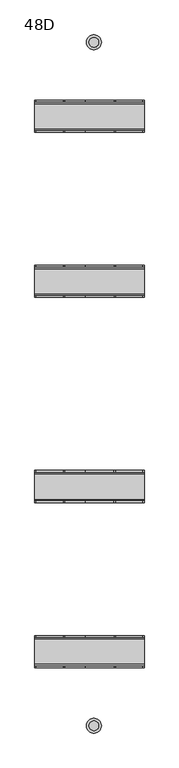
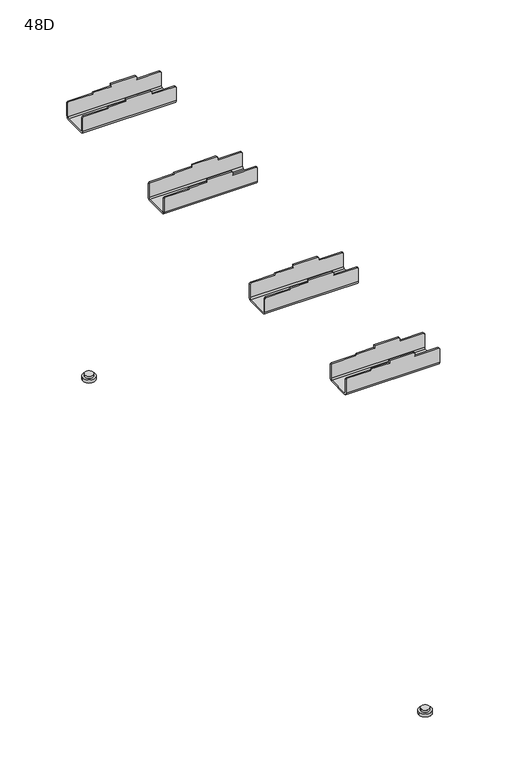
"""IFC4 building model written with IfcOpenShell, lengths in millimetres: furniture geometry, 48D."""

from ifc_helpers import new_model, si_unit, point, frame, frame_2d, origin, origin_with_axes, place, context, project, spatial, polyline, circle_curve, trimmed, segment, composite_curve, outline, extrude, source, transform, mapped, element, save
from ifc_brep_helpers import plane_surface, cylinder_surface, revolved_surface, advanced_brep


def furniture_48d_6f4fb4dd(model_context):
    return source(origin(), model_context, "Body", "SolidModel", [
        advanced_brep(
        [(76.0, -431.9918, 652.15), (76.0, -434.9918, 649.15), (76.0, -478.0279055, 649.15), (76.0, -480.9918, 652.1138945), (76.0, -480.9918, 680.3638945), (76.0, -483.9918, 680.3638945), (76.0, -483.9918, 652.1138945), (76.0, -478.0279055, 646.15), (76.0, -434.9918, 646.15), (76.0, -428.9918, 652.15), (76.0, -428.9918, 680.3638945), (76.0, -431.9918, 680.3638945), (-111.0, -428.9918, 652.15), (-111.0, -434.9918, 646.15), (-111.0, -478.0279055, 646.15), (-111.0, -483.9918, 652.1138945), (-111.0, -483.9918, 680.3638945), (-111.0, -480.9918, 680.3638945), (-111.0, -480.9918, 652.1138945), (-111.0, -478.0279055, 649.15), (-111.0, -434.9918, 649.15), (-111.0, -431.9918, 652.15), (-111.0, -431.9918, 680.3638945), (-111.0, -428.9918, 680.3638945), (24.4638945, -428.9918, 690.15), (-24.078125, -428.9918, 690.15), (-24.078125, -431.9918, 690.15), (24.4638945, -431.9918, 690.15), (-109.0, -428.9918, 682.3638945), (-61.5, -428.9918, 682.3638945), (-59.5, -428.9918, 685.1138945), (-24.078125, -428.9918, 685.1138945), (26.5, -428.9918, 688.1138945), (26.5, -428.9918, 682.3638945), (74.0, -428.9918, 682.3638945), (74.0, -483.9918, 682.3638945), (26.5, -483.9918, 682.3638945), (26.5, -483.9918, 688.1138945), (24.5, -483.9918, 690.1138945), (-24.078125, -483.9918, 690.1138945), (-24.078125, -483.9918, 685.1138945), (-59.5, -483.9918, 685.1138945), (-61.5, -483.9918, 682.3638945), (-109.0, -483.9918, 682.3638945), (24.5, -480.9918, 690.1138945), (-24.078125, -480.9918, 690.1138945), (-109.0, -480.9918, 682.3638945), (-61.5, -480.9918, 682.3638945), (-59.5, -480.9918, 685.1138945), (-24.078125, -480.9918, 685.1138945), (26.5, -480.9918, 688.1138945), (26.5, -480.9918, 682.3638945), (74.0, -480.9918, 682.3638945), (74.0, -431.9918, 682.3638945), (26.5, -431.9918, 682.3638945), (26.5, -431.9918, 688.1138945), (-24.078125, -431.9918, 685.1138945), (-59.5, -431.9918, 685.1138945), (-61.5, -431.9918, 682.3638945), (-109.0, -431.9918, 682.3638945)],
        [
            (0, 1, circle_curve(frame((76.0, -434.9918, 652.15), z_axis=(-1.0, 0.0, 0.0), x_axis=(0.0, -1.0, 0.0)), 3.0)),
            (1, 2),
            (2, 3, circle_curve(frame((76.0, -478.0279055, 652.1138945), z_axis=(-1.0, 0.0, 0.0), x_axis=(0.0, -1.0, 0.0)), 2.9638945)),
            (3, 4),
            (4, 5),
            (5, 6),
            (6, 7, circle_curve(frame((76.0, -478.0279055, 652.1138945), z_axis=(1.0, 0.0, 0.0), x_axis=(0.0, -1.0, 0.0)), 5.9638945)),
            (7, 8),
            (8, 9, circle_curve(frame((76.0, -434.9918, 652.15), z_axis=(1.0, 0.0, 0.0), x_axis=(0.0, -1.0, 0.0)), 6.0)),
            (9, 10),
            (10, 11),
            (11, 0),
            (12, 13, circle_curve(frame((-111.0, -434.9918, 652.15), z_axis=(-1.0, 0.0, 0.0), x_axis=(0.0, -1.0, 0.0)), 6.0)),
            (13, 14),
            (14, 15, circle_curve(frame((-111.0, -478.0279055, 652.1138945), z_axis=(-1.0, 0.0, 0.0), x_axis=(0.0, -1.0, 0.0)), 5.9638945)),
            (15, 16),
            (16, 17),
            (17, 18),
            (18, 19, circle_curve(frame((-111.0, -478.0279055, 652.1138945), z_axis=(1.0, 0.0, 0.0), x_axis=(0.0, -1.0, 0.0)), 2.9638945)),
            (19, 20),
            (20, 21, circle_curve(frame((-111.0, -434.9918, 652.15), z_axis=(1.0, 0.0, 0.0), x_axis=(0.0, -1.0, 0.0)), 3.0)),
            (21, 22),
            (22, 23),
            (23, 12),
            (24, 25),
            (25, 26),
            (26, 27),
            (27, 24),
            (9, 12),
            (23, 28),
            (28, 29),
            (29, 30),
            (30, 31),
            (31, 25),
            (24, 32),
            (32, 33),
            (33, 34),
            (34, 10),
            (8, 13),
            (7, 14),
            (6, 15),
            (5, 35),
            (35, 36),
            (36, 37),
            (37, 38),
            (38, 39),
            (39, 40),
            (40, 41),
            (41, 42),
            (42, 43),
            (43, 16),
            (38, 44),
            (44, 45),
            (45, 39),
            (3, 18),
            (17, 46),
            (46, 47),
            (47, 48),
            (48, 49),
            (49, 45),
            (44, 50),
            (50, 51),
            (51, 52),
            (52, 4),
            (2, 19),
            (1, 20),
            (0, 21),
            (11, 53),
            (53, 54),
            (54, 55),
            (55, 27),
            (26, 56),
            (56, 57),
            (57, 58),
            (58, 59),
            (59, 22),
            (52, 35),
            (34, 53),
            (37, 50),
            (55, 32),
            (36, 51),
            (54, 33),
            (49, 40),
            (31, 56),
            (48, 41),
            (30, 57),
            (47, 42),
            (29, 58),
            (46, 43),
            (28, 59),
        ],
        [
            plane_surface(frame((76.0, -431.9918, 690.15), z_axis=(1.0, 0.0, 0.0), x_axis=(0.0, 0.0, -1.0))),
            plane_surface(frame((-111.0, -431.9918, 690.15), z_axis=(-1.0, 0.0, 0.0), x_axis=(0.0, 0.0, 1.0))),
            plane_surface(frame((76.0, -428.9918, 690.15), z_axis=(0.0, 0.0, 1.0), x_axis=(-1.0, 0.0, 0.0))),
            plane_surface(frame((76.0, -428.9918, 652.15), z_axis=(0.0, 1.0, 0.0), x_axis=(-1.0, 0.0, 0.0))),
            cylinder_surface(frame((-111.0, -434.9918, 652.15), z_axis=(1.0, 0.0, 0.0), x_axis=(0.0, -1.0, 0.0)), 6.0),
            plane_surface(frame((76.0, -478.0279055, 646.15), z_axis=(0.0, 0.0, -1.0), x_axis=(-1.0, 0.0, 0.0))),
            cylinder_surface(frame((-111.0, -478.0279055, 652.1138945), z_axis=(1.0, 0.0, 0.0), x_axis=(0.0, -1.0, 0.0)), 5.9638945),
            plane_surface(frame((76.0, -483.9918, 690.1138945), z_axis=(0.0, -1.0, 0.0), x_axis=(-1.0, 0.0, 0.0))),
            plane_surface(frame((76.0, -480.9918, 690.1138945), z_axis=(0.0, 0.0, 1.0), x_axis=(-1.0, 0.0, 0.0))),
            plane_surface(frame((76.0, -480.9918, 652.1138945), z_axis=(0.0, 1.0, 0.0), x_axis=(-1.0, 0.0, 0.0))),
            revolved_surface(polyline([(-111.0, -480.99179999999996, 652.1138945), (76.0, -480.99179999999996, 652.1138945)]), (-111.0, -478.0279055, 652.1138945), (-1.0, 0.0, 0.0)),
            plane_surface(frame((76.0, -434.9918, 649.15), z_axis=(0.0, 0.0, 1.0), x_axis=(-1.0, 0.0, 0.0))),
            revolved_surface(polyline([(-111.0, -437.9918, 652.15), (76.0, -437.9918, 652.15)]), (-111.0, -434.9918, 652.15), (-1.0, 0.0, 0.0)),
            plane_surface(frame((76.0, -431.9918, 690.15), z_axis=(0.0, -1.0, 0.0), x_axis=(-1.0, 0.0, 0.0))),
            plane_surface(frame((76.0, 484.2418, 680.3638945), z_axis=(0.7071067811865596, 0.0, 0.7071067811865356), x_axis=(0.0, -1.0, 0.0))),
            plane_surface(frame((26.5, 484.2418, 688.1138945), z_axis=(0.7071067811865506, 0.0, 0.7071067811865446), x_axis=(0.0, -1.0, 0.0))),
            plane_surface(frame((26.5, 484.2418, 682.3638945), z_axis=(1.0, 0.0, 0.0), x_axis=(0.0, -1.0, 0.0))),
            plane_surface(frame((74.0, 484.2418, 682.3638945), z_axis=(0.0, 0.0, 1.0), x_axis=(0.0, -1.0, 0.0))),
            plane_surface(frame((-24.078125, 484.2418, 690.1138945), z_axis=(-1.0, 0.0, 0.0), x_axis=(0.0, -1.0, 0.0))),
            plane_surface(frame((-24.078125, 484.2418, 685.1138945), z_axis=(0.0, 0.0, 1.0), x_axis=(0.0, -1.0, 0.0))),
            plane_surface(frame((-59.5, 484.2418, 685.1138945), z_axis=(-0.8087360843031073, 0.0, 0.5881716976751581), x_axis=(0.0, -1.0, 0.0))),
            plane_surface(frame((-61.5, 484.2418, 682.3638945), z_axis=(0.0, 0.0, 1.0), x_axis=(0.0, -1.0, 0.0))),
            plane_surface(frame((-109.0, 484.2418, 682.3638945), z_axis=(-0.7071067811865506, 0.0, 0.7071067811865446), x_axis=(0.0, -1.0, 0.0))),
        ],
        [
            (0, [[1, 2, 3, 4, 5, 6, 7, 8, 9, 10, 11, 12]]),
            (1, [[13, 14, 15, 16, 17, 18, 19, 20, 21, 22, 23, 24]]),
            (2, [[25, 26, 27, 28]]),
            (3, [[29, -24, 30, 31, 32, 33, 34, -25, 35, 36, 37, 38, -10]]),
            (4, [[-9, 39, -13, -29]]),
            (5, [[-8, 40, -14, -39]]),
            (6, [[-7, 41, -15, -40]]),
            (7, [[-41, -6, 42, 43, 44, 45, 46, 47, 48, 49, 50, 51, -16]]),
            (8, [[-46, 52, 53, 54]]),
            (9, [[55, -18, 56, 57, 58, 59, 60, -53, 61, 62, 63, 64, -4]]),
            (10, [[-3, 65, -19, -55]]),
            (11, [[-2, 66, -20, -65]]),
            (12, [[-1, 67, -21, -66]]),
            (13, [[-67, -12, 68, 69, 70, 71, -27, 72, 73, 74, 75, 76, -22]]),
            (14, [[77, -42, -5, -64]]),
            (14, [[78, -68, -11, -38]]),
            (15, [[79, -61, -52, -45]]),
            (15, [[80, -35, -28, -71]]),
            (16, [[-79, -44, 81, -62]]),
            (16, [[-80, -70, 82, -36]]),
            (17, [[-81, -43, -77, -63]]),
            (17, [[-82, -69, -78, -37]]),
            (18, [[83, -47, -54, -60]]),
            (18, [[84, -72, -26, -34]]),
            (19, [[-83, -59, 85, -48]]),
            (19, [[-84, -33, 86, -73]]),
            (20, [[-85, -58, 87, -49]]),
            (20, [[-86, -32, 88, -74]]),
            (21, [[-87, -57, 89, -50]]),
            (21, [[-88, -31, 90, -75]]),
            (22, [[-89, -56, -17, -51]]),
            (22, [[-90, -30, -23, -76]]),
        ],
    ),
        advanced_brep(
        [(74.0, -147.5, 682.3638945), (74.0, -150.5, 682.3638945), (76.0, -150.5, 680.3638945), (76.0, -147.5, 680.3638945), (74.0, -199.5, 682.3638945), (74.0, -202.5, 682.3638945), (76.0, -202.5, 680.3638945), (76.0, -199.5, 680.3638945), (26.5, -150.5, 688.1138945), (26.5, -147.5, 688.1138945), (24.4638945, -147.5, 690.15), (24.4638945, -150.5, 690.15), (26.5, -202.5, 688.1138945), (26.5, -199.5, 688.1138945), (24.4638945, -199.5, 690.15), (24.4638945, -202.5, 690.15), (26.5, -150.5, 682.3638945), (26.5, -147.5, 682.3638945), (26.5, -202.5, 682.3638945), (26.5, -199.5, 682.3638945), (-24.078125, -147.5, 685.1138945), (-24.078125, -150.5, 685.1138945), (-24.078125, -150.5, 690.15), (-24.078125, -147.5, 690.15), (-24.078125, -199.5, 685.1138945), (-24.078125, -202.5, 685.1138945), (-24.078125, -202.5, 690.15), (-24.078125, -199.5, 690.15), (-59.5, -147.5, 685.1138945), (-59.5, -150.5, 685.1138945), (-59.5, -199.5, 685.1138945), (-59.5, -202.5, 685.1138945), (-61.5, -147.5, 682.3638945), (-61.5, -150.5, 682.3638945), (-61.5, -199.5, 682.3638945), (-61.5, -202.5, 682.3638945), (-109.0, -147.5, 682.3638945), (-109.0, -150.5, 682.3638945), (-109.0, -199.5, 682.3638945), (-109.0, -202.5, 682.3638945), (-111.0, -147.5, 680.3638945), (-111.0, -150.5, 680.3638945), (-111.0, -199.5, 680.3638945), (-111.0, -202.5, 680.3638945), (76.0, -202.5, 652.1138945), (76.0, -196.5361055, 646.15), (76.0, -153.5, 646.15), (76.0, -147.5, 652.15), (76.0, -150.5, 652.15), (76.0, -153.5, 649.15), (76.0, -196.5361055, 649.15), (76.0, -199.5, 652.1138945), (-111.0, -199.5, 652.1138945), (-111.0, -196.5361055, 649.15), (-111.0, -153.5, 649.15), (-111.0, -150.5, 652.15), (-111.0, -147.5, 652.15), (-111.0, -153.5, 646.15), (-111.0, -196.5361055, 646.15), (-111.0, -202.5, 652.1138945)],
        [
            (0, 1),
            (1, 2),
            (2, 3),
            (3, 0),
            (4, 5),
            (5, 6),
            (6, 7),
            (7, 4),
            (8, 9),
            (9, 10),
            (10, 11),
            (11, 8),
            (12, 13),
            (13, 14),
            (14, 15),
            (15, 12),
            (8, 16),
            (16, 17),
            (17, 9),
            (12, 18),
            (18, 19),
            (19, 13),
            (16, 1),
            (0, 17),
            (18, 5),
            (4, 19),
            (20, 21),
            (21, 22),
            (22, 23),
            (23, 20),
            (24, 25),
            (25, 26),
            (26, 27),
            (27, 24),
            (20, 28),
            (28, 29),
            (29, 21),
            (24, 30),
            (30, 31),
            (31, 25),
            (28, 32),
            (32, 33),
            (33, 29),
            (30, 34),
            (34, 35),
            (35, 31),
            (32, 36),
            (36, 37),
            (37, 33),
            (34, 38),
            (38, 39),
            (39, 35),
            (36, 40),
            (40, 41),
            (41, 37),
            (38, 42),
            (42, 43),
            (43, 39),
            (44, 45, circle_curve(frame((76.0, -196.5361055, 652.1138945), z_axis=(1.0, 0.0, 0.0), x_axis=(0.0, 1.0, 0.0)), 5.9638945)),
            (45, 46),
            (46, 47, circle_curve(frame((76.0, -153.5, 652.15), z_axis=(1.0, 0.0, 0.0), x_axis=(0.0, 1.0, 0.0)), 6.0)),
            (47, 3),
            (2, 48),
            (48, 49, circle_curve(frame((76.0, -153.5, 652.15), z_axis=(-1.0, 0.0, 0.0), x_axis=(0.0, 1.0, 0.0)), 3.0)),
            (49, 50),
            (50, 51, circle_curve(frame((76.0, -196.5361055, 652.1138945), z_axis=(-1.0, 0.0, 0.0), x_axis=(0.0, 1.0, 0.0)), 2.9638945)),
            (51, 7),
            (6, 44),
            (52, 53, circle_curve(frame((-111.0, -196.5361055, 652.1138945), z_axis=(1.0, 0.0, 0.0), x_axis=(0.0, 1.0, 0.0)), 2.9638945)),
            (53, 54),
            (54, 55, circle_curve(frame((-111.0, -153.5, 652.15), z_axis=(1.0, 0.0, 0.0), x_axis=(0.0, 1.0, 0.0)), 3.0)),
            (55, 41),
            (40, 56),
            (56, 57, circle_curve(frame((-111.0, -153.5, 652.15), z_axis=(-1.0, 0.0, 0.0), x_axis=(0.0, 1.0, 0.0)), 6.0)),
            (57, 58),
            (58, 59, circle_curve(frame((-111.0, -196.5361055, 652.1138945), z_axis=(-1.0, 0.0, 0.0), x_axis=(0.0, 1.0, 0.0)), 5.9638945)),
            (59, 43),
            (42, 52),
            (14, 27),
            (26, 15),
            (59, 44),
            (58, 45),
            (57, 46),
            (56, 47),
            (23, 10),
            (22, 11),
            (55, 48),
            (54, 49),
            (53, 50),
            (52, 51),
        ],
        [
            plane_surface(frame((76.0, 484.2418, 680.3638945), z_axis=(0.7071067811865596, 0.0, 0.7071067811865356), x_axis=(0.0, -1.0, 0.0))),
            plane_surface(frame((26.5, 484.2418, 688.1138945), z_axis=(0.7071067811865506, 0.0, 0.7071067811865446), x_axis=(0.0, -1.0, 0.0))),
            plane_surface(frame((26.5, 484.2418, 682.3638945), z_axis=(1.0, 0.0, 0.0), x_axis=(0.0, -1.0, 0.0))),
            plane_surface(frame((74.0, 484.2418, 682.3638945), z_axis=(0.0, 0.0, 1.0), x_axis=(0.0, -1.0, 0.0))),
            plane_surface(frame((-24.078125, 484.2418, 690.1138945), z_axis=(-1.0, 0.0, 0.0), x_axis=(0.0, -1.0, 0.0))),
            plane_surface(frame((-24.078125, 484.2418, 685.1138945), z_axis=(0.0, 0.0, 1.0), x_axis=(0.0, -1.0, 0.0))),
            plane_surface(frame((-59.5, 484.2418, 685.1138945), z_axis=(-0.8087360843031073, 0.0, 0.5881716976751581), x_axis=(0.0, -1.0, 0.0))),
            plane_surface(frame((-61.5, 484.2418, 682.3638945), z_axis=(0.0, 0.0, 1.0), x_axis=(0.0, -1.0, 0.0))),
            plane_surface(frame((-109.0, 484.2418, 682.3638945), z_axis=(-0.7071067811865506, 0.0, 0.7071067811865446), x_axis=(0.0, -1.0, 0.0))),
            plane_surface(frame((76.0, -202.5, 690.15), z_axis=(1.0, 0.0, 0.0), x_axis=(0.0, -1.0, 0.0))),
            plane_surface(frame((-111.0, -202.5, 690.15), z_axis=(-1.0, 0.0, 0.0), x_axis=(0.0, 1.0, 0.0))),
            plane_surface(frame((76.0, -199.5, 690.15), z_axis=(0.0, 0.0, 1.0), x_axis=(-1.0, 0.0, 0.0))),
            plane_surface(frame((76.0, -202.5, 690.15), z_axis=(0.0, -1.0, 0.0), x_axis=(-1.0, 0.0, 0.0))),
            cylinder_surface(frame((-111.0, -196.5361055, 652.1138945), z_axis=(1.0, 0.0, 0.0), x_axis=(0.0, 1.0, 0.0)), 5.9638945),
            plane_surface(frame((76.0, -196.5361055, 646.15), z_axis=(0.0, 0.0, -1.0), x_axis=(-1.0, 0.0, 0.0))),
            cylinder_surface(frame((-111.0, -153.5, 652.15), z_axis=(1.0, 0.0, 0.0), x_axis=(0.0, 1.0, 0.0)), 6.0),
            plane_surface(frame((76.0, -147.5, 652.15), z_axis=(0.0, 1.0, 0.0), x_axis=(-1.0, 0.0, 0.0))),
            plane_surface(frame((76.0, -147.5, 690.15), z_axis=(0.0, 0.0, 1.0), x_axis=(-1.0, 0.0, 0.0))),
            plane_surface(frame((76.0, -150.5, 690.15), z_axis=(0.0, -1.0, 0.0), x_axis=(-1.0, 0.0, 0.0))),
            revolved_surface(polyline([(-111.0, -150.5, 652.15), (76.0, -150.5, 652.15)]), (-111.0, -153.5, 652.15), (-1.0, 0.0, 0.0)),
            plane_surface(frame((76.0, -153.5, 649.15), z_axis=(0.0, 0.0, 1.0), x_axis=(-1.0, 0.0, 0.0))),
            revolved_surface(polyline([(-111.0, -193.57221099999998, 652.1138945), (76.0, -193.57221099999998, 652.1138945)]), (-111.0, -196.5361055, 652.1138945), (-1.0, 0.0, 0.0)),
            plane_surface(frame((76.0, -199.5, 652.1138945), z_axis=(0.0, 1.0, 0.0), x_axis=(-1.0, 0.0, 0.0))),
        ],
        [
            (0, [[1, 2, 3, 4]]),
            (0, [[5, 6, 7, 8]]),
            (1, [[9, 10, 11, 12]]),
            (1, [[13, 14, 15, 16]]),
            (2, [[-9, 17, 18, 19]]),
            (2, [[-13, 20, 21, 22]]),
            (3, [[-18, 23, -1, 24]]),
            (3, [[-21, 25, -5, 26]]),
            (4, [[27, 28, 29, 30]]),
            (4, [[31, 32, 33, 34]]),
            (5, [[-27, 35, 36, 37]]),
            (5, [[-31, 38, 39, 40]]),
            (6, [[-36, 41, 42, 43]]),
            (6, [[-39, 44, 45, 46]]),
            (7, [[-42, 47, 48, 49]]),
            (7, [[-45, 50, 51, 52]]),
            (8, [[-48, 53, 54, 55]]),
            (8, [[-51, 56, 57, 58]]),
            (9, [[59, 60, 61, 62, -3, 63, 64, 65, 66, 67, -7, 68]]),
            (10, [[69, 70, 71, 72, -54, 73, 74, 75, 76, 77, -57, 78]]),
            (11, [[79, -33, 80, -15]]),
            (12, [[81, -68, -6, -25, -20, -16, -80, -32, -40, -46, -52, -58, -77]]),
            (13, [[-59, -81, -76, 82]]),
            (14, [[-60, -82, -75, 83]]),
            (15, [[-61, -83, -74, 84]]),
            (16, [[-84, -73, -53, -47, -41, -35, -30, 85, -10, -19, -24, -4, -62]]),
            (17, [[-85, -29, 86, -11]]),
            (18, [[87, -63, -2, -23, -17, -12, -86, -28, -37, -43, -49, -55, -72]]),
            (19, [[-64, -87, -71, 88]]),
            (20, [[-65, -88, -70, 89]]),
            (21, [[-66, -89, -69, 90]]),
            (22, [[-90, -78, -56, -50, -44, -38, -34, -79, -14, -22, -26, -8, -67]]),
        ],
    ),
        advanced_brep(
        [(76.0, 147.5, 652.1138945), (76.0, 153.5, 646.1138945), (76.0, 196.5, 646.1138945), (76.0, 202.5, 652.1138945), (76.0, 202.5, 680.3638945), (76.0, 199.5, 680.3638945), (76.0, 199.5, 652.1138945), (76.0, 196.5, 649.1138945), (76.0, 153.5, 649.1138945), (76.0, 150.5, 652.1138945), (76.0, 150.5, 680.3638945), (76.0, 147.5, 680.3638945), (-111.0, 150.5, 652.1138945), (-111.0, 153.5, 649.1138945), (-111.0, 196.5, 649.1138945), (-111.0, 199.5, 652.1138945), (-111.0, 199.5, 680.3638945), (-111.0, 202.5, 680.3638945), (-111.0, 202.5, 652.1138945), (-111.0, 196.5, 646.1138945), (-111.0, 153.5, 646.1138945), (-111.0, 147.5, 652.1138945), (-111.0, 147.5, 680.3638945), (-111.0, 150.5, 680.3638945), (24.5, 150.5, 690.1138945), (-24.078125, 150.5, 690.1138945), (-24.078125, 147.5, 690.1138945), (24.5, 147.5, 690.1138945), (74.0, 147.5, 682.3638945), (26.5, 147.5, 682.3638945), (26.5, 147.5, 688.1138945), (-24.078125, 147.5, 685.1138945), (-59.5, 147.5, 685.1138945), (-61.5, 147.5, 682.3638945), (-109.0, 147.5, 682.3638945), (-109.0, 202.5, 682.3638945), (-61.5, 202.5, 682.3638945), (-59.5, 202.5, 685.1138945), (-24.078125, 202.5, 685.1138945), (-24.078125, 202.5, 690.1138945), (24.5, 202.5, 690.1138945), (26.5, 202.5, 688.1138945), (26.5, 202.5, 682.3638945), (74.0, 202.5, 682.3638945), (-24.078125, 199.5, 690.1138945), (24.5, 199.5, 690.1138945), (74.0, 199.5, 682.3638945), (26.5, 199.5, 682.3638945), (26.5, 199.5, 688.1138945), (-24.078125, 199.5, 685.1138945), (-59.5, 199.5, 685.1138945), (-61.5, 199.5, 682.3638945), (-109.0, 199.5, 682.3638945), (-109.0, 150.5, 682.3638945), (-61.5, 150.5, 682.3638945), (-59.5, 150.5, 685.1138945), (-24.078125, 150.5, 685.1138945), (26.5, 150.5, 688.1138945), (26.5, 150.5, 682.3638945), (74.0, 150.5, 682.3638945)],
        [
            (0, 1, circle_curve(frame((76.0, 153.5, 652.1138945), z_axis=(1.0, 0.0, 0.0), x_axis=(0.0, 1.0, 0.0)), 6.0)),
            (1, 2),
            (2, 3, circle_curve(frame((76.0, 196.5, 652.1138945), z_axis=(1.0, 0.0, 0.0), x_axis=(0.0, 1.0, 0.0)), 6.0)),
            (3, 4),
            (4, 5),
            (5, 6),
            (6, 7, circle_curve(frame((76.0, 196.5, 652.1138945), z_axis=(-1.0, 0.0, 0.0), x_axis=(0.0, 1.0, 0.0)), 3.0)),
            (7, 8),
            (8, 9, circle_curve(frame((76.0, 153.5, 652.1138945), z_axis=(-1.0, 0.0, 0.0), x_axis=(0.0, 1.0, 0.0)), 3.0)),
            (9, 10),
            (10, 11),
            (11, 0),
            (12, 13, circle_curve(frame((-111.0, 153.5, 652.1138945), z_axis=(1.0, 0.0, 0.0), x_axis=(0.0, 1.0, 0.0)), 3.0)),
            (13, 14),
            (14, 15, circle_curve(frame((-111.0, 196.5, 652.1138945), z_axis=(1.0, 0.0, 0.0), x_axis=(0.0, 1.0, 0.0)), 3.0)),
            (15, 16),
            (16, 17),
            (17, 18),
            (18, 19, circle_curve(frame((-111.0, 196.5, 652.1138945), z_axis=(-1.0, 0.0, 0.0), x_axis=(0.0, 1.0, 0.0)), 6.0)),
            (19, 20),
            (20, 21, circle_curve(frame((-111.0, 153.5, 652.1138945), z_axis=(-1.0, 0.0, 0.0), x_axis=(0.0, 1.0, 0.0)), 6.0)),
            (21, 22),
            (22, 23),
            (23, 12),
            (24, 25),
            (25, 26),
            (26, 27),
            (27, 24),
            (21, 0),
            (11, 28),
            (28, 29),
            (29, 30),
            (30, 27),
            (26, 31),
            (31, 32),
            (32, 33),
            (33, 34),
            (34, 22),
            (20, 1),
            (19, 2),
            (18, 3),
            (17, 35),
            (35, 36),
            (36, 37),
            (37, 38),
            (38, 39),
            (39, 40),
            (40, 41),
            (41, 42),
            (42, 43),
            (43, 4),
            (39, 44),
            (44, 45),
            (45, 40),
            (15, 6),
            (5, 46),
            (46, 47),
            (47, 48),
            (48, 45),
            (44, 49),
            (49, 50),
            (50, 51),
            (51, 52),
            (52, 16),
            (14, 7),
            (13, 8),
            (12, 9),
            (23, 53),
            (53, 54),
            (54, 55),
            (55, 56),
            (56, 25),
            (24, 57),
            (57, 58),
            (58, 59),
            (59, 10),
            (43, 46),
            (59, 28),
            (48, 41),
            (30, 57),
            (47, 42),
            (29, 58),
            (38, 49),
            (56, 31),
            (37, 50),
            (55, 32),
            (36, 51),
            (54, 33),
            (35, 52),
            (53, 34),
        ],
        [
            plane_surface(frame((76.0, 147.5, 690.1138945), z_axis=(1.0, 0.0, 0.0), x_axis=(0.0, -1.0, 0.0))),
            plane_surface(frame((-111.0, 147.5, 690.1138945), z_axis=(-1.0, 0.0, 0.0), x_axis=(0.0, 1.0, 0.0))),
            plane_surface(frame((76.0, 150.5, 690.1138945), z_axis=(0.0, 0.0, 1.0), x_axis=(-1.0, 0.0, 0.0))),
            plane_surface(frame((76.0, 147.5, 690.1138945), z_axis=(0.0, -1.0, 0.0), x_axis=(-1.0, 0.0, 0.0))),
            cylinder_surface(frame((-111.0, 153.5, 652.1138945), z_axis=(1.0, 0.0, 0.0), x_axis=(0.0, 1.0, 0.0)), 6.0),
            plane_surface(frame((76.0, 153.5, 646.1138945), z_axis=(0.0, 0.0, -1.0), x_axis=(-1.0, 0.0, 0.0))),
            cylinder_surface(frame((-111.0, 196.5, 652.1138945), z_axis=(1.0, 0.0, 0.0), x_axis=(0.0, 1.0, 0.0)), 6.0),
            plane_surface(frame((76.0, 202.5, 652.1138945), z_axis=(0.0, 1.0, 0.0), x_axis=(-1.0, 0.0, 0.0))),
            plane_surface(frame((76.0, 202.5, 690.1138945), z_axis=(0.0, 0.0, 1.0), x_axis=(-1.0, 0.0, 0.0))),
            plane_surface(frame((76.0, 199.5, 690.1138945), z_axis=(0.0, -1.0, 0.0), x_axis=(-1.0, 0.0, 0.0))),
            revolved_surface(polyline([(-111.0, 199.5, 652.1138945), (76.0, 199.5, 652.1138945)]), (-111.0, 196.5, 652.1138945), (-1.0, 0.0, 0.0)),
            plane_surface(frame((76.0, 196.5, 649.1138945), z_axis=(0.0, 0.0, 1.0), x_axis=(-1.0, 0.0, 0.0))),
            revolved_surface(polyline([(-111.0, 156.5, 652.1138945), (76.0, 156.5, 652.1138945)]), (-111.0, 153.5, 652.1138945), (-1.0, 0.0, 0.0)),
            plane_surface(frame((76.0, 150.5, 652.1138945), z_axis=(0.0, 1.0, 0.0), x_axis=(-1.0, 0.0, 0.0))),
            plane_surface(frame((76.0, 484.2418, 680.3638945), z_axis=(0.7071067811865596, 0.0, 0.7071067811865356), x_axis=(0.0, -1.0, 0.0))),
            plane_surface(frame((26.5, 484.2418, 688.1138945), z_axis=(0.7071067811865506, 0.0, 0.7071067811865446), x_axis=(0.0, -1.0, 0.0))),
            plane_surface(frame((26.5, 484.2418, 682.3638945), z_axis=(1.0, 0.0, 0.0), x_axis=(0.0, -1.0, 0.0))),
            plane_surface(frame((74.0, 484.2418, 682.3638945), z_axis=(0.0, 0.0, 1.0), x_axis=(0.0, -1.0, 0.0))),
            plane_surface(frame((-24.078125, 484.2418, 690.1138945), z_axis=(-1.0, 0.0, 0.0), x_axis=(0.0, -1.0, 0.0))),
            plane_surface(frame((-24.078125, 484.2418, 685.1138945), z_axis=(0.0, 0.0, 1.0), x_axis=(0.0, -1.0, 0.0))),
            plane_surface(frame((-59.5, 484.2418, 685.1138945), z_axis=(-0.8087360843031073, 0.0, 0.5881716976751581), x_axis=(0.0, -1.0, 0.0))),
            plane_surface(frame((-61.5, 484.2418, 682.3638945), z_axis=(0.0, 0.0, 1.0), x_axis=(0.0, -1.0, 0.0))),
            plane_surface(frame((-109.0, 484.2418, 682.3638945), z_axis=(-0.7071067811865506, 0.0, 0.7071067811865446), x_axis=(0.0, -1.0, 0.0))),
        ],
        [
            (0, [[1, 2, 3, 4, 5, 6, 7, 8, 9, 10, 11, 12]]),
            (1, [[13, 14, 15, 16, 17, 18, 19, 20, 21, 22, 23, 24]]),
            (2, [[25, 26, 27, 28]]),
            (3, [[29, -12, 30, 31, 32, 33, -27, 34, 35, 36, 37, 38, -22]]),
            (4, [[-1, -29, -21, 39]]),
            (5, [[-2, -39, -20, 40]]),
            (6, [[-3, -40, -19, 41]]),
            (7, [[-41, -18, 42, 43, 44, 45, 46, 47, 48, 49, 50, 51, -4]]),
            (8, [[-47, 52, 53, 54]]),
            (9, [[55, -6, 56, 57, 58, 59, -53, 60, 61, 62, 63, 64, -16]]),
            (10, [[-7, -55, -15, 65]]),
            (11, [[-8, -65, -14, 66]]),
            (12, [[-9, -66, -13, 67]]),
            (13, [[-67, -24, 68, 69, 70, 71, 72, -25, 73, 74, 75, 76, -10]]),
            (14, [[77, -56, -5, -51]]),
            (14, [[78, -30, -11, -76]]),
            (15, [[79, -48, -54, -59]]),
            (15, [[80, -73, -28, -33]]),
            (16, [[-79, -58, 81, -49]]),
            (16, [[-80, -32, 82, -74]]),
            (17, [[-81, -57, -77, -50]]),
            (17, [[-82, -31, -78, -75]]),
            (18, [[83, -60, -52, -46]]),
            (18, [[84, -34, -26, -72]]),
            (19, [[-83, -45, 85, -61]]),
            (19, [[-84, -71, 86, -35]]),
            (20, [[-85, -44, 87, -62]]),
            (20, [[-86, -70, 88, -36]]),
            (21, [[-87, -43, 89, -63]]),
            (21, [[-88, -69, 90, -37]]),
            (22, [[-89, -42, -17, -64]]),
            (22, [[-90, -68, -23, -38]]),
        ],
    ),
        extrude(outline(composite_curve([segment(trimmed(circle_curve(frame_2d((-10.0134902, -582.7087961)), 8.2529367), [point((-18.2664269, -582.7087961))], [point((-1.7605535, -582.7087961))], False, "CARTESIAN"), True, "CONTINUOUS"), segment(trimmed(circle_curve(frame_2d((-10.0134902, -582.7087961)), 8.2529367), [point((-1.7605535, -582.7087961))], [point((-18.2664269, -582.7087961))], False, "CARTESIAN"), True, "CONTINUOUS")], self_intersect=False)), frame((0.0, 0.0, 6.5), z_axis=(0.0, 0.0, 1.0), x_axis=(1.0, 0.0, 0.0)), (0.0, 0.0, 1.0), 4.5),
        extrude(outline(composite_curve([segment(trimmed(circle_curve(frame_2d((-10.0157414, -582.7087961)), 12.5869389), [point((-22.6026802, -582.7087961))], [point((2.5711975, -582.7087961))], False, "CARTESIAN"), True, "CONTINUOUS"), segment(trimmed(circle_curve(frame_2d((-10.0157414, -582.7087961)), 12.5869389), [point((2.5711975, -582.7087961))], [point((-22.6026802, -582.7087961))], False, "CARTESIAN"), True, "CONTINUOUS")], self_intersect=False)), origin_with_axes(), (0.0, 0.0, 1.0), 6.5),
        extrude(outline(composite_curve([segment(trimmed(circle_curve(frame_2d((-10.0134902, 582.7087961)), 8.2529367), [point((-18.2664269, 582.7087961))], [point((-1.7605535, 582.7087961))], False, "CARTESIAN"), True, "CONTINUOUS"), segment(trimmed(circle_curve(frame_2d((-10.0134902, 582.7087961)), 8.2529367), [point((-1.7605535, 582.7087961))], [point((-18.2664269, 582.7087961))], False, "CARTESIAN"), True, "CONTINUOUS")], self_intersect=False)), frame((0.0, 0.0, 6.5), z_axis=(0.0, 0.0, 1.0), x_axis=(1.0, 0.0, 0.0)), (0.0, 0.0, 1.0), 4.5),
        extrude(outline(composite_curve([segment(trimmed(circle_curve(frame_2d((-10.0157414, 582.7087961)), 12.5869389), [point((-22.6026802, 582.7087961))], [point((2.5711975, 582.7087961))], False, "CARTESIAN"), True, "CONTINUOUS"), segment(trimmed(circle_curve(frame_2d((-10.0157414, 582.7087961)), 12.5869389), [point((2.5711975, 582.7087961))], [point((-22.6026802, 582.7087961))], False, "CARTESIAN"), True, "CONTINUOUS")], self_intersect=False)), origin_with_axes(), (0.0, 0.0, 1.0), 6.5),
        advanced_brep(
        [(76.0, 428.9918, 652.15), (76.0, 434.9918, 646.15), (76.0, 478.0279055, 646.15), (76.0, 483.9918, 652.1138945), (76.0, 483.9918, 680.3638945), (76.0, 480.9918, 680.3638945), (76.0, 480.9918, 652.1138945), (76.0, 478.0279055, 649.15), (76.0, 434.9918, 649.15), (76.0, 431.9918, 652.15), (76.0, 431.9918, 680.3638945), (76.0, 428.9918, 680.3638945), (-111.0, 431.9918, 652.15), (-111.0, 434.9918, 649.15), (-111.0, 478.0279055, 649.15), (-111.0, 480.9918, 652.1138945), (-111.0, 480.9918, 680.3638945), (-111.0, 483.9918, 680.3638945), (-111.0, 483.9918, 652.1138945), (-111.0, 478.0279055, 646.15), (-111.0, 434.9918, 646.15), (-111.0, 428.9918, 652.15), (-111.0, 428.9918, 680.3638945), (-111.0, 431.9918, 680.3638945), (24.4638945, 431.9918, 690.15), (-24.078125, 431.9918, 690.15), (-24.078125, 428.9918, 690.15), (24.4638945, 428.9918, 690.15), (74.0, 428.9918, 682.3638945), (26.5, 428.9918, 682.3638945), (26.5, 428.9918, 688.1138945), (-24.078125, 428.9918, 685.1138945), (-59.5, 428.9918, 685.1138945), (-61.5, 428.9918, 682.3638945), (-109.0, 428.9918, 682.3638945), (-109.0, 483.9918, 682.3638945), (-61.5, 483.9918, 682.3638945), (-59.5, 483.9918, 685.1138945), (-24.078125, 483.9918, 685.1138945), (-24.078125, 483.9918, 690.15), (24.4638945, 483.9918, 690.15), (26.5, 483.9918, 688.1138945), (26.5, 483.9918, 682.3638945), (74.0, 483.9918, 682.3638945), (-24.078125, 480.9918, 690.15), (24.4638945, 480.9918, 690.15), (74.0, 480.9918, 682.3638945), (26.5, 480.9918, 682.3638945), (26.5, 480.9918, 688.1138945), (-24.078125, 480.9918, 685.1138945), (-59.5, 480.9918, 685.1138945), (-61.5, 480.9918, 682.3638945), (-109.0, 480.9918, 682.3638945), (-109.0, 431.9918, 682.3638945), (-61.5, 431.9918, 682.3638945), (-59.5, 431.9918, 685.1138945), (-24.078125, 431.9918, 685.1138945), (26.5, 431.9918, 688.1138945), (26.5, 431.9918, 682.3638945), (74.0, 431.9918, 682.3638945)],
        [
            (0, 1, circle_curve(frame((76.0, 434.9918, 652.15), z_axis=(1.0, 0.0, 0.0), x_axis=(0.0, 1.0, 0.0)), 6.0)),
            (1, 2),
            (2, 3, circle_curve(frame((76.0, 478.0279055, 652.1138945), z_axis=(1.0, 0.0, 0.0), x_axis=(0.0, 1.0, 0.0)), 5.9638945)),
            (3, 4),
            (4, 5),
            (5, 6),
            (6, 7, circle_curve(frame((76.0, 478.0279055, 652.1138945), z_axis=(-1.0, 0.0, 0.0), x_axis=(0.0, 1.0, 0.0)), 2.9638945)),
            (7, 8),
            (8, 9, circle_curve(frame((76.0, 434.9918, 652.15), z_axis=(-1.0, 0.0, 0.0), x_axis=(0.0, 1.0, 0.0)), 3.0)),
            (9, 10),
            (10, 11),
            (11, 0),
            (12, 13, circle_curve(frame((-111.0, 434.9918, 652.15), z_axis=(1.0, 0.0, 0.0), x_axis=(0.0, 1.0, 0.0)), 3.0)),
            (13, 14),
            (14, 15, circle_curve(frame((-111.0, 478.0279055, 652.1138945), z_axis=(1.0, 0.0, 0.0), x_axis=(0.0, 1.0, 0.0)), 2.9638945)),
            (15, 16),
            (16, 17),
            (17, 18),
            (18, 19, circle_curve(frame((-111.0, 478.0279055, 652.1138945), z_axis=(-1.0, 0.0, 0.0), x_axis=(0.0, 1.0, 0.0)), 5.9638945)),
            (19, 20),
            (20, 21, circle_curve(frame((-111.0, 434.9918, 652.15), z_axis=(-1.0, 0.0, 0.0), x_axis=(0.0, 1.0, 0.0)), 6.0)),
            (21, 22),
            (22, 23),
            (23, 12),
            (24, 25),
            (25, 26),
            (26, 27),
            (27, 24),
            (21, 0),
            (11, 28),
            (28, 29),
            (29, 30),
            (30, 27),
            (26, 31),
            (31, 32),
            (32, 33),
            (33, 34),
            (34, 22),
            (20, 1),
            (19, 2),
            (18, 3),
            (17, 35),
            (35, 36),
            (36, 37),
            (37, 38),
            (38, 39),
            (39, 40),
            (40, 41),
            (41, 42),
            (42, 43),
            (43, 4),
            (39, 44),
            (44, 45),
            (45, 40),
            (15, 6),
            (5, 46),
            (46, 47),
            (47, 48),
            (48, 45),
            (44, 49),
            (49, 50),
            (50, 51),
            (51, 52),
            (52, 16),
            (14, 7),
            (13, 8),
            (12, 9),
            (23, 53),
            (53, 54),
            (54, 55),
            (55, 56),
            (56, 25),
            (24, 57),
            (57, 58),
            (58, 59),
            (59, 10),
            (43, 46),
            (59, 28),
            (48, 41),
            (30, 57),
            (47, 42),
            (29, 58),
            (38, 49),
            (56, 31),
            (37, 50),
            (55, 32),
            (36, 51),
            (54, 33),
            (35, 52),
            (53, 34),
        ],
        [
            plane_surface(frame((76.0, 428.9918, 690.15), z_axis=(1.0, 0.0, 0.0), x_axis=(0.0, -1.0, 0.0))),
            plane_surface(frame((-111.0, 428.9918, 690.15), z_axis=(-1.0, 0.0, 0.0), x_axis=(0.0, 1.0, 0.0))),
            plane_surface(frame((76.0, 431.9918, 690.15), z_axis=(0.0, 0.0, 1.0), x_axis=(-1.0, 0.0, 0.0))),
            plane_surface(frame((76.0, 428.9918, 690.15), z_axis=(0.0, -1.0, 0.0), x_axis=(-1.0, 0.0, 0.0))),
            cylinder_surface(frame((-111.0, 434.9918, 652.15), z_axis=(1.0, 0.0, 0.0), x_axis=(0.0, 1.0, 0.0)), 6.0),
            plane_surface(frame((76.0, 434.9918, 646.15), z_axis=(0.0, 0.0, -1.0), x_axis=(-1.0, 0.0, 0.0))),
            cylinder_surface(frame((-111.0, 478.0279055, 652.1138945), z_axis=(1.0, 0.0, 0.0), x_axis=(0.0, 1.0, 0.0)), 5.9638945),
            plane_surface(frame((76.0, 483.9918, 652.1138945), z_axis=(0.0, 1.0, 0.0), x_axis=(-1.0, 0.0, 0.0))),
            plane_surface(frame((76.0, 483.9918, 690.15), z_axis=(0.0, 0.0, 1.0), x_axis=(-1.0, 0.0, 0.0))),
            plane_surface(frame((76.0, 480.9918, 690.15), z_axis=(0.0, -1.0, 0.0), x_axis=(-1.0, 0.0, 0.0))),
            revolved_surface(polyline([(-111.0, 480.99179999999996, 652.1138945), (76.0, 480.99179999999996, 652.1138945)]), (-111.0, 478.0279055, 652.1138945), (-1.0, 0.0, 0.0)),
            plane_surface(frame((76.0, 478.0279055, 649.15), z_axis=(0.0, 0.0, 1.0), x_axis=(-1.0, 0.0, 0.0))),
            revolved_surface(polyline([(-111.0, 437.9918, 652.15), (76.0, 437.9918, 652.15)]), (-111.0, 434.9918, 652.15), (-1.0, 0.0, 0.0)),
            plane_surface(frame((76.0, 431.9918, 652.15), z_axis=(0.0, 1.0, 0.0), x_axis=(-1.0, 0.0, 0.0))),
            plane_surface(frame((76.0, 484.2418, 680.3638945), z_axis=(0.7071067811865596, 0.0, 0.7071067811865356), x_axis=(0.0, -1.0, 0.0))),
            plane_surface(frame((26.5, 484.2418, 688.1138945), z_axis=(0.7071067811865506, 0.0, 0.7071067811865446), x_axis=(0.0, -1.0, 0.0))),
            plane_surface(frame((26.5, 484.2418, 682.3638945), z_axis=(1.0, 0.0, 0.0), x_axis=(0.0, -1.0, 0.0))),
            plane_surface(frame((74.0, 484.2418, 682.3638945), z_axis=(0.0, 0.0, 1.0), x_axis=(0.0, -1.0, 0.0))),
            plane_surface(frame((-24.078125, 484.2418, 690.1138945), z_axis=(-1.0, 0.0, 0.0), x_axis=(0.0, -1.0, 0.0))),
            plane_surface(frame((-24.078125, 484.2418, 685.1138945), z_axis=(0.0, 0.0, 1.0), x_axis=(0.0, -1.0, 0.0))),
            plane_surface(frame((-59.5, 484.2418, 685.1138945), z_axis=(-0.8087360843031073, 0.0, 0.5881716976751581), x_axis=(0.0, -1.0, 0.0))),
            plane_surface(frame((-61.5, 484.2418, 682.3638945), z_axis=(0.0, 0.0, 1.0), x_axis=(0.0, -1.0, 0.0))),
            plane_surface(frame((-109.0, 484.2418, 682.3638945), z_axis=(-0.7071067811865506, 0.0, 0.7071067811865446), x_axis=(0.0, -1.0, 0.0))),
        ],
        [
            (0, [[1, 2, 3, 4, 5, 6, 7, 8, 9, 10, 11, 12]]),
            (1, [[13, 14, 15, 16, 17, 18, 19, 20, 21, 22, 23, 24]]),
            (2, [[25, 26, 27, 28]]),
            (3, [[29, -12, 30, 31, 32, 33, -27, 34, 35, 36, 37, 38, -22]]),
            (4, [[-1, -29, -21, 39]]),
            (5, [[-2, -39, -20, 40]]),
            (6, [[-3, -40, -19, 41]]),
            (7, [[-41, -18, 42, 43, 44, 45, 46, 47, 48, 49, 50, 51, -4]]),
            (8, [[-47, 52, 53, 54]]),
            (9, [[55, -6, 56, 57, 58, 59, -53, 60, 61, 62, 63, 64, -16]]),
            (10, [[-7, -55, -15, 65]]),
            (11, [[-8, -65, -14, 66]]),
            (12, [[-9, -66, -13, 67]]),
            (13, [[-67, -24, 68, 69, 70, 71, 72, -25, 73, 74, 75, 76, -10]]),
            (14, [[77, -56, -5, -51]]),
            (14, [[78, -30, -11, -76]]),
            (15, [[79, -48, -54, -59]]),
            (15, [[80, -73, -28, -33]]),
            (16, [[-79, -58, 81, -49]]),
            (16, [[-80, -32, 82, -74]]),
            (17, [[-81, -57, -77, -50]]),
            (17, [[-82, -31, -78, -75]]),
            (18, [[83, -60, -52, -46]]),
            (18, [[84, -34, -26, -72]]),
            (19, [[-83, -45, 85, -61]]),
            (19, [[-84, -71, 86, -35]]),
            (20, [[-85, -44, 87, -62]]),
            (20, [[-86, -70, 88, -36]]),
            (21, [[-87, -43, 89, -63]]),
            (21, [[-88, -69, 90, -37]]),
            (22, [[-89, -42, -17, -64]]),
            (22, [[-90, -68, -23, -38]]),
        ],
    ),
    ])


if __name__ == "__main__":
    model = new_model("IFC4")
    model_context = context("Model", 3, world=origin())
    ifc_project = project(units=[si_unit("LENGTHUNIT", "METRE", prefix="MILLI")], contexts=[model_context])
    site = spatial("IfcSite", under=ifc_project)
    building = spatial("IfcBuilding", under=site)
    placement = place(None, origin())
    furniture_48d_shape = furniture_48d_6f4fb4dd(model_context)
    element("IfcFurniture", 1, ObjectType="48D", at=placement, inside=building, context=model_context, shape_type="MappedRepresentation", body=[
        mapped(furniture_48d_shape, transform((0.0, 0.0, 0.0), x_axis=(1.0, 0.0, 0.0), y_axis=(0.0, 1.0, 0.0), z_axis=(0.0, 0.0, 1.0))),
    ])
    save(model, "model.ifc")
